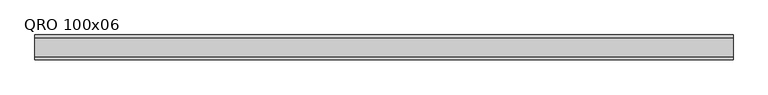
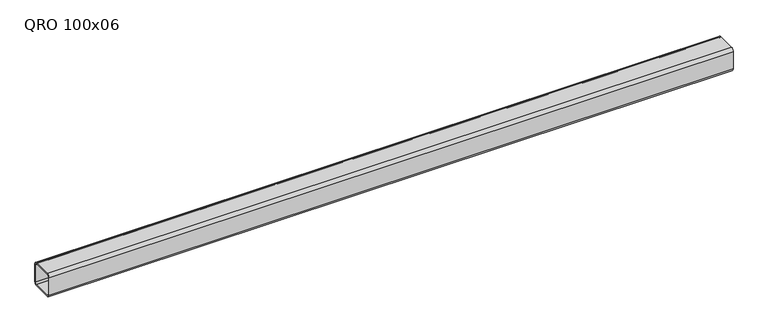
"""IFC4 building model written with IfcOpenShell, lengths in millimetres: beam geometry, QRO 100x06."""

from ifc_helpers import new_model, si_unit, point, frame, frame_2d, origin, place, context, project, spatial, polyline, circle_curve, trimmed, segment, composite_curve, outline, extrude, source, transform, mapped, element, save


def qro_100x06_1fbdd9ab(model_context):
    return source(origin(), model_context, "Body", "SweptSolid", [
        extrude(outline(composite_curve([segment(polyline([(50.0, 38.0), (50.0, -38.0)]), True, "CONTINUOUS"), segment(trimmed(circle_curve(frame_2d((38.0, -38.0)), 12.0), [point((50.0, -38.0))], [point((38.0, -50.0))], False, "CARTESIAN"), True, "CONTINUOUS"), segment(polyline([(38.0, -50.0), (-38.0, -50.0)]), True, "CONTINUOUS"), segment(trimmed(circle_curve(frame_2d((-38.0, -38.0)), 12.0), [point((-38.0, -50.0))], [point((-50.0, -38.0))], False, "CARTESIAN"), True, "CONTINUOUS"), segment(polyline([(-50.0, -38.0), (-50.0, 38.0)]), True, "CONTINUOUS"), segment(trimmed(circle_curve(frame_2d((-38.0, 38.0)), 12.0), [point((-50.0, 38.0))], [point((-38.0, 50.0))], False, "CARTESIAN"), True, "CONTINUOUS"), segment(polyline([(-38.0, 50.0), (38.0, 50.0)]), True, "CONTINUOUS"), segment(trimmed(circle_curve(frame_2d((38.0, 38.0)), 12.0), [point((38.0, 50.0))], [point((50.0, 38.0))], False, "CARTESIAN"), True, "CONTINUOUS")], self_intersect=False), holes=[composite_curve([segment(trimmed(circle_curve(frame_2d((-38.0, 38.0)), 6.0), [point((-38.0, 44.0))], [point((-44.0, 38.0))], True, "CARTESIAN"), True, "CONTINUOUS"), segment(polyline([(-44.0, 38.0), (-44.0, -38.0)]), True, "CONTINUOUS"), segment(trimmed(circle_curve(frame_2d((-38.0, -38.0)), 6.0), [point((-44.0, -38.0))], [point((-38.0, -44.0))], True, "CARTESIAN"), True, "CONTINUOUS"), segment(polyline([(-38.0, -44.0), (38.0, -44.0)]), True, "CONTINUOUS"), segment(trimmed(circle_curve(frame_2d((38.0, -38.0)), 6.0), [point((38.0, -44.0))], [point((44.0, -38.0))], True, "CARTESIAN"), True, "CONTINUOUS"), segment(polyline([(44.0, -38.0), (44.0, 38.0)]), True, "CONTINUOUS"), segment(trimmed(circle_curve(frame_2d((38.0, 38.0)), 6.0), [point((44.0, 38.0))], [point((38.0, 44.0))], True, "CARTESIAN"), True, "CONTINUOUS"), segment(polyline([(38.0, 44.0), (-38.0, 44.0)]), True, "CONTINUOUS")], self_intersect=False)]), frame((-1647.2917332, 0.0, 0.0), z_axis=(1.0, 0.0, 0.0), x_axis=(0.0, 1.0, 0.0)), (0.0, 0.0, 1.0), 2824.4937284),
    ])


if __name__ == "__main__":
    model = new_model("IFC4")
    model_context = context("Model", 3, world=origin())
    ifc_project = project(units=[si_unit("LENGTHUNIT", "METRE", prefix="MILLI")], contexts=[model_context])
    site = spatial("IfcSite", under=ifc_project)
    building = spatial("IfcBuilding", under=site)
    placement = place(None, origin())
    qro_100x06_shape = qro_100x06_1fbdd9ab(model_context)
    element("IfcBeam", 1, ObjectType="QRO 100x06", at=placement, inside=building, context=model_context, shape_type="MappedRepresentation", body=[
        mapped(qro_100x06_shape, transform((0.0, 0.0, 0.0), x_axis=(1.0, 0.0, 0.0), y_axis=(0.0, 1.0, 0.0), z_axis=(0.0, 0.0, 1.0))),
    ])
    save(model, "model.ifc")
